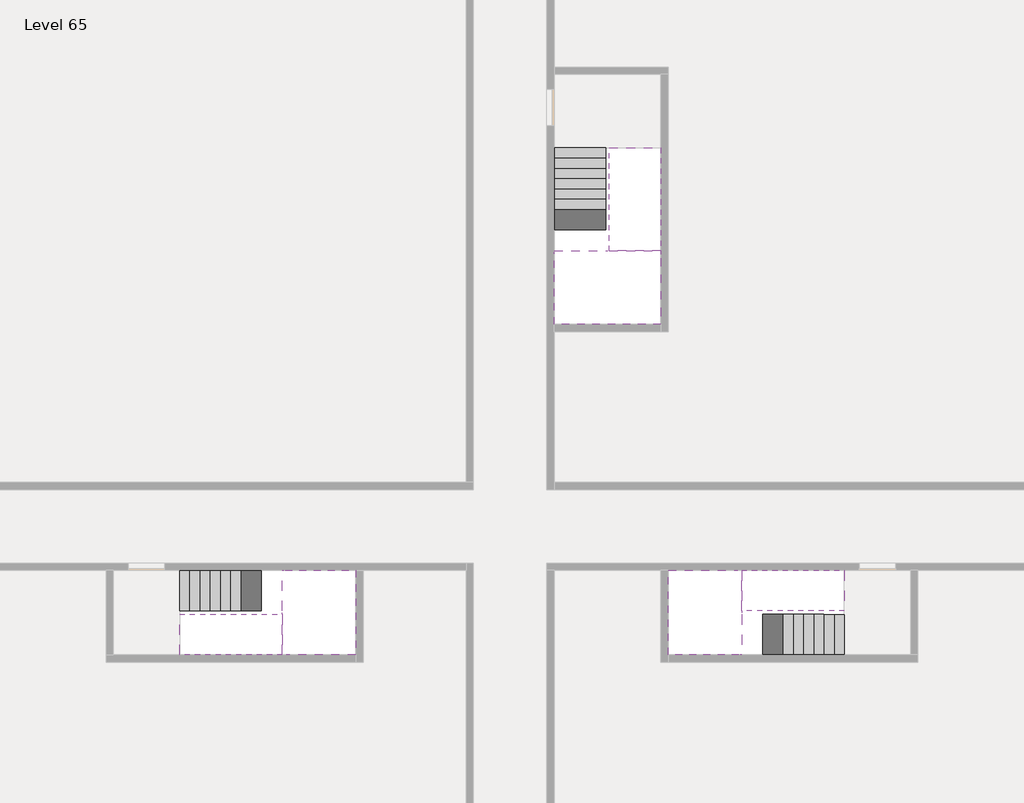
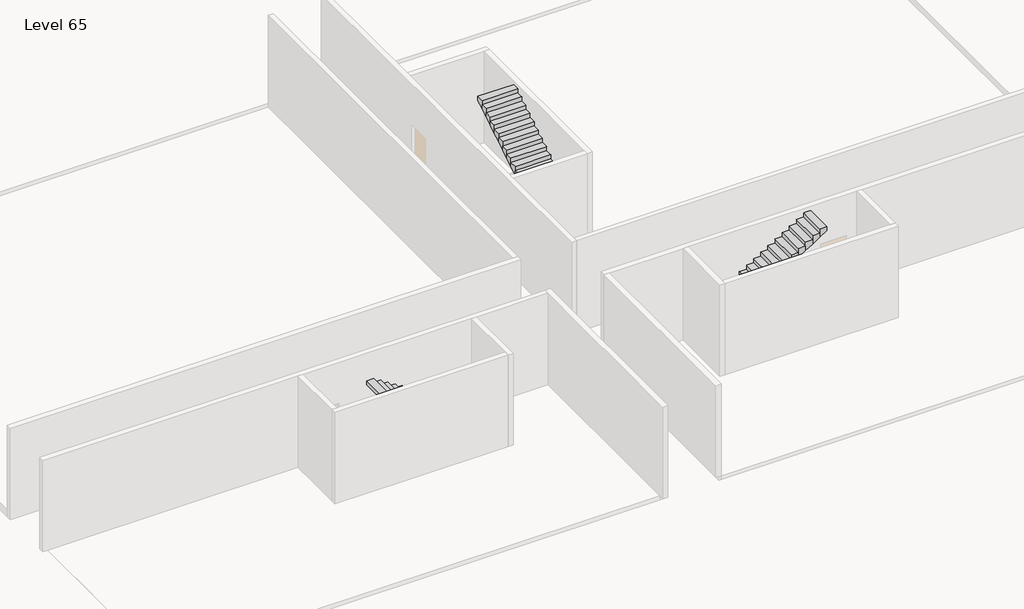
# One storey, part 2 of 2: 6 stair flights, 3 slabs.
"""IFC4 building model written with IfcOpenShell, lengths in millimetres."""

from ifc_helpers import new_model, si_unit, origin, place, context, project, spatial, faceted_brep, element, save

model = new_model("IFC4")

# Units and contexts
model_context = context("Model", 3, world=origin())
ifc_project = project(units=[si_unit("LENGTHUNIT", "METRE", prefix="MILLI")], contexts=[model_context])

# Site, building, storey
site = spatial("IfcSite", under=ifc_project)
building = spatial("IfcBuilding", under=site)
storey = spatial("IfcBuildingStorey", under=building, Name="Level 65", Elevation=243200.0)

# Slabs
placement = place(None, origin())
element("IfcSlab", 1, at=placement, inside=storey, context=model_context, shape_type="Brep", body=[
    faceted_brep([(26790.1058784, -34218.09644, 245100.0), (25390.1058784, -34218.09644, 245100.0), (25390.1058784, -34297.4828763, 245100.0), (25390.1058784, -36218.09644, 245100.0), (28290.1058784, -36218.09644, 245100.0), (28290.1058784, -34418.7100038, 245100.0), (28290.1058784, -34218.09644, 245100.0), (26890.1058784, -34218.09644, 245100.0), (26790.1058784, -34218.09644, 244800.0), (26790.1058784, -34218.09644, 244751.0278478), (25390.1058784, -34218.09644, 244751.0278478), (25390.1058784, -34218.09644, 244927.2727273), (25390.1058784, -34297.4828763, 244800.0), (25390.1058784, -36218.09644, 244800.0), (28290.1058784, -36218.09644, 244800.0), (28290.1058784, -34418.7100038, 244800.0), (28290.1058784, -34218.09644, 244923.7551205), (26890.1058784, -34218.09644, 244923.7551205), (26890.1058784, -34218.09644, 244800.0), (26890.1058784, -34418.7100038, 244800.0), (26790.1058784, -34297.4828763, 244800.0)], [[[0, 1, 2, 3, 4, 5, 6, 7]], [[1, 0, 8, 9, 10, 11]], [[1, 11, 10, 12, 13, 3, 2]], [[4, 3, 13, 14]], [[4, 14, 15, 16, 6, 5]], [[7, 6, 16, 17]], [[0, 7, 17, 18, 8]], [[18, 19, 15, 14, 13, 12, 20, 8]], [[19, 18, 17]], [[20, 12, 10, 9]], [[8, 20, 9]], [[15, 19, 17, 16]]]),
])
element("IfcSlab", 2, at=placement, inside=storey, context=model_context, shape_type="Brep", body=[
    faceted_brep([(30490.1058784, -45218.09644, 245100.0), (30490.1058784, -44118.09644, 245100.0), (30490.1058784, -44018.09644, 245100.0), (30490.1058784, -42918.09644, 245100.0), (30289.4923146, -42918.09644, 245100.0), (28490.1058784, -42918.09644, 245100.0), (28490.1058784, -45218.09644, 245100.0), (30410.7194421, -45218.09644, 245100.0), (30490.1058784, -45218.09644, 244927.2727273), (30490.1058784, -45218.09644, 244751.0278478), (30490.1058784, -44118.09644, 244751.0278478), (30490.1058784, -44118.09644, 244800.0), (30490.1058784, -44018.09644, 244800.0), (30490.1058784, -44018.09644, 244923.7551205), (30490.1058784, -42918.09644, 244923.7551205), (30289.4923146, -42918.09644, 244800.0), (28490.1058784, -42918.09644, 244800.0), (28490.1058784, -45218.09644, 244800.0), (30410.7194421, -45218.09644, 244800.0), (30289.4923146, -44018.09644, 244800.0), (30410.7194421, -44118.09644, 244800.0)], [[[0, 1, 2, 3, 4, 5, 6, 7]], [[1, 0, 8, 9, 10, 11]], [[2, 1, 11, 12, 13]], [[3, 2, 13, 14]], [[3, 14, 15, 16, 5, 4]], [[6, 5, 16, 17]], [[9, 8, 0, 7, 6, 17, 18]], [[19, 12, 11, 20, 18, 17, 16, 15]], [[12, 19, 13]], [[18, 20, 10, 9]], [[20, 11, 10]], [[19, 15, 14, 13]]]),
])
element("IfcSlab", 3, at=placement, inside=storey, context=model_context, shape_type="Brep", body=[
    faceted_brep([(17990.1058784, -42918.09644, 245100.0), (17990.1058784, -44018.09644, 245100.0), (17990.1058784, -44118.09644, 245100.0), (17990.1058784, -45218.09644, 245100.0), (18190.7194421, -45218.09644, 245100.0), (19990.1058784, -45218.09644, 245100.0), (19990.1058784, -42918.09644, 245100.0), (18069.4923146, -42918.09644, 245100.0), (17990.1058784, -42918.09644, 244927.2727273), (17990.1058784, -42918.09644, 244751.0278478), (17990.1058784, -44018.09644, 244751.0278478), (17990.1058784, -44018.09644, 244800.0), (17990.1058784, -44118.09644, 244800.0), (17990.1058784, -44118.09644, 244923.7551205), (17990.1058784, -45218.09644, 244923.7551205), (18190.7194421, -45218.09644, 244800.0), (19990.1058784, -45218.09644, 244800.0), (19990.1058784, -42918.09644, 244800.0), (18069.4923146, -42918.09644, 244800.0), (18190.7194421, -44118.09644, 244800.0), (18069.4923146, -44018.09644, 244800.0)], [[[0, 1, 2, 3, 4, 5, 6, 7]], [[1, 0, 8, 9, 10, 11]], [[2, 1, 11, 12, 13]], [[3, 2, 13, 14]], [[3, 14, 15, 16, 5, 4]], [[6, 5, 16, 17]], [[9, 8, 0, 7, 6, 17, 18]], [[19, 12, 11, 20, 18, 17, 16, 15]], [[12, 19, 13]], [[18, 20, 10, 9]], [[20, 11, 10]], [[19, 15, 14, 13]]]),
])

# Stair flights
element("IfcStairFlight", 4, at=placement, inside=storey, context=model_context, shape_type="Brep", body=[
    faceted_brep([(26790.1058784, -31698.09644, 243372.7272727), (26790.1058784, -31418.09644, 243372.7272727), (25390.1058784, -31418.09644, 243372.7272727), (25390.1058784, -31698.09644, 243372.7272727), (26790.1058784, -31698.09644, 243200.0), (26790.1058784, -31418.09644, 243200.0), (25390.1058784, -31418.09644, 243200.0), (25390.1058784, -31698.09644, 243200.0), (26790.1058784, -31978.09644, 243545.4545455), (26790.1058784, -31698.09644, 243545.4545455), (25390.1058784, -31698.09644, 243545.4545455), (25390.1058784, -31978.09644, 243545.4545455), (26790.1058784, -31978.09644, 243369.209666), (26790.1058784, -31703.7986657, 243200.0), (25390.1058784, -31703.7986657, 243200.0), (25390.1058784, -31978.09644, 243369.209666), (26790.1058784, -32258.09644, 243718.1818182), (26790.1058784, -31978.09644, 243718.1818182), (25390.1058784, -31978.09644, 243718.1818182), (25390.1058784, -32258.09644, 243718.1818182), (26790.1058784, -32258.09644, 243541.9369387), (25390.1058784, -32258.09644, 243541.9369387), (26790.1058784, -32538.09644, 243890.9090909), (26790.1058784, -32258.09644, 243890.9090909), (25390.1058784, -32258.09644, 243890.9090909), (25390.1058784, -32538.09644, 243890.9090909), (26790.1058784, -32538.09644, 243714.6642114), (25390.1058784, -32538.09644, 243714.6642114), (26790.1058784, -32818.09644, 244063.6363636), (26790.1058784, -32538.09644, 244063.6363636), (25390.1058784, -32538.09644, 244063.6363636), (25390.1058784, -32818.09644, 244063.6363636), (26790.1058784, -32818.09644, 243887.3914841), (25390.1058784, -32818.09644, 243887.3914841), (26790.1058784, -33098.09644, 244236.3636364), (26790.1058784, -32818.09644, 244236.3636364), (25390.1058784, -32818.09644, 244236.3636364), (25390.1058784, -33098.09644, 244236.3636364), (26790.1058784, -33098.09644, 244060.1187569), (25390.1058784, -33098.09644, 244060.1187569), (26790.1058784, -33378.09644, 244409.0909091), (26790.1058784, -33098.09644, 244409.0909091), (25390.1058784, -33098.09644, 244409.0909091), (25390.1058784, -33378.09644, 244409.0909091), (26790.1058784, -33378.09644, 244232.8460296), (25390.1058784, -33378.09644, 244232.8460296), (26790.1058784, -33658.09644, 244581.8181818), (26790.1058784, -33378.09644, 244581.8181818), (25390.1058784, -33378.09644, 244581.8181818), (25390.1058784, -33658.09644, 244581.8181818), (26790.1058784, -33658.09644, 244405.5733023), (25390.1058784, -33658.09644, 244405.5733023), (26790.1058784, -33938.09644, 244754.5454545), (26790.1058784, -33658.09644, 244754.5454545), (25390.1058784, -33658.09644, 244754.5454545), (25390.1058784, -33938.09644, 244754.5454545), (26790.1058784, -33938.09644, 244578.3005751), (25390.1058784, -33938.09644, 244578.3005751), (26790.1058784, -34218.09644, 244927.2727273), (26790.1058784, -33938.09644, 244927.2727273), (25390.1058784, -33938.09644, 244927.2727273), (25390.1058784, -34218.09644, 244927.2727273), (26790.1058784, -34218.09644, 244800.0), (26790.1058784, -34218.09644, 244751.0278478), (25390.1058784, -34218.09644, 244751.0278478)], [[[0, 1, 2, 3]], [[1, 0, 4, 5]], [[2, 1, 5, 6]], [[3, 2, 6, 7]], [[8, 9, 10, 11]], [[4, 0, 9, 8, 12, 13]], [[0, 3, 10, 9]], [[3, 7, 14, 15, 11, 10]], [[16, 17, 18, 19]], [[17, 16, 20, 12, 8]], [[8, 11, 18, 17]], [[19, 18, 11, 15, 21]], [[22, 23, 24, 25]], [[23, 22, 26, 20, 16]], [[16, 19, 24, 23]], [[25, 24, 19, 21, 27]], [[28, 29, 30, 31]], [[29, 28, 32, 26, 22]], [[22, 25, 30, 29]], [[31, 30, 25, 27, 33]], [[34, 35, 36, 37]], [[35, 34, 38, 32, 28]], [[28, 31, 36, 35]], [[37, 36, 31, 33, 39]], [[40, 41, 42, 43]], [[41, 40, 44, 38, 34]], [[34, 37, 42, 41]], [[43, 42, 37, 39, 45]], [[46, 47, 48, 49]], [[47, 46, 50, 44, 40]], [[40, 43, 48, 47]], [[49, 48, 43, 45, 51]], [[52, 53, 54, 55]], [[53, 52, 56, 50, 46]], [[46, 49, 54, 53]], [[55, 54, 49, 51, 57]], [[58, 59, 60, 61]], [[59, 58, 62, 63, 56, 52]], [[52, 55, 60, 59]], [[61, 60, 55, 57, 64]], [[58, 61, 64, 63, 62]], [[5, 4, 13, 14, 7, 6]], [[14, 13, 12, 20, 26, 32, 38, 44, 50, 56, 63, 64, 57, 51, 45, 39, 33, 27, 21, 15]]]),
])
element("IfcStairFlight", 5, at=placement, inside=storey, context=model_context, shape_type="Brep", body=[
    faceted_brep([(26890.1058784, -33938.09644, 245272.7272727), (26890.1058784, -34218.09644, 245272.7272727), (28290.1058784, -34218.09644, 245272.7272727), (28290.1058784, -33938.09644, 245272.7272727), (26890.1058784, -33938.09644, 245096.4823932), (26890.1058784, -34218.09644, 244923.7551205), (28290.1058784, -34218.09644, 244923.7551205), (28290.1058784, -34218.09644, 245100.0), (28290.1058784, -33938.09644, 245096.4823932), (26890.1058784, -33658.09644, 245445.4545455), (26890.1058784, -33938.09644, 245445.4545455), (28290.1058784, -33938.09644, 245445.4545455), (28290.1058784, -33658.09644, 245445.4545455), (26890.1058784, -33658.09644, 245269.209666), (28290.1058784, -33658.09644, 245269.209666), (26890.1058784, -33378.09644, 245618.1818182), (26890.1058784, -33658.09644, 245618.1818182), (28290.1058784, -33658.09644, 245618.1818182), (28290.1058784, -33378.09644, 245618.1818182), (26890.1058784, -33378.09644, 245441.9369387), (28290.1058784, -33378.09644, 245441.9369387), (26890.1058784, -33098.09644, 245790.9090909), (26890.1058784, -33378.09644, 245790.9090909), (28290.1058784, -33378.09644, 245790.9090909), (28290.1058784, -33098.09644, 245790.9090909), (26890.1058784, -33098.09644, 245614.6642114), (28290.1058784, -33098.09644, 245614.6642114), (26890.1058784, -32818.09644, 245963.6363636), (26890.1058784, -33098.09644, 245963.6363636), (28290.1058784, -33098.09644, 245963.6363636), (28290.1058784, -32818.09644, 245963.6363636), (26890.1058784, -32818.09644, 245787.3914841), (28290.1058784, -32818.09644, 245787.3914841), (26890.1058784, -32538.09644, 246136.3636364), (26890.1058784, -32818.09644, 246136.3636364), (28290.1058784, -32818.09644, 246136.3636364), (28290.1058784, -32538.09644, 246136.3636364), (26890.1058784, -32538.09644, 245960.1187569), (28290.1058784, -32538.09644, 245960.1187569), (26890.1058784, -32258.09644, 246309.0909091), (26890.1058784, -32538.09644, 246309.0909091), (28290.1058784, -32538.09644, 246309.0909091), (28290.1058784, -32258.09644, 246309.0909091), (26890.1058784, -32258.09644, 246132.8460296), (28290.1058784, -32258.09644, 246132.8460296), (26890.1058784, -31978.09644, 246481.8181818), (26890.1058784, -32258.09644, 246481.8181818), (28290.1058784, -32258.09644, 246481.8181818), (28290.1058784, -31978.09644, 246481.8181818), (26890.1058784, -31978.09644, 246305.5733023), (28290.1058784, -31978.09644, 246305.5733023), (26890.1058784, -31698.09644, 246654.5454545), (26890.1058784, -31978.09644, 246654.5454545), (28290.1058784, -31978.09644, 246654.5454545), (28290.1058784, -31698.09644, 246654.5454545), (26890.1058784, -31698.09644, 246478.3005751), (28290.1058784, -31698.09644, 246478.3005751), (26890.1058784, -31418.09644, 246827.2727273), (26890.1058784, -31698.09644, 246827.2727273), (28290.1058784, -31698.09644, 246827.2727273), (28290.1058784, -31418.09644, 246827.2727273), (26890.1058784, -31418.09644, 246651.0278478), (28290.1058784, -31418.09644, 246651.0278478)], [[[0, 1, 2, 3]], [[1, 0, 4, 5]], [[2, 1, 5, 6, 7]], [[3, 2, 7, 6, 8]], [[9, 10, 11, 12]], [[10, 9, 13, 4, 0]], [[11, 10, 0, 3]], [[12, 11, 3, 8, 14]], [[15, 16, 17, 18]], [[16, 15, 19, 13, 9]], [[17, 16, 9, 12]], [[18, 17, 12, 14, 20]], [[21, 22, 23, 24]], [[22, 21, 25, 19, 15]], [[23, 22, 15, 18]], [[24, 23, 18, 20, 26]], [[27, 28, 29, 30]], [[28, 27, 31, 25, 21]], [[29, 28, 21, 24]], [[30, 29, 24, 26, 32]], [[33, 34, 35, 36]], [[34, 33, 37, 31, 27]], [[35, 34, 27, 30]], [[36, 35, 30, 32, 38]], [[39, 40, 41, 42]], [[40, 39, 43, 37, 33]], [[41, 40, 33, 36]], [[42, 41, 36, 38, 44]], [[45, 46, 47, 48]], [[46, 45, 49, 43, 39]], [[47, 46, 39, 42]], [[48, 47, 42, 44, 50]], [[51, 52, 53, 54]], [[52, 51, 55, 49, 45]], [[53, 52, 45, 48]], [[54, 53, 48, 50, 56]], [[57, 58, 59, 60]], [[58, 57, 61, 55, 51]], [[59, 58, 51, 54]], [[60, 59, 54, 56, 62]], [[57, 60, 62, 61]], [[5, 4, 13, 19, 25, 31, 37, 43, 49, 55, 61, 62, 56, 50, 44, 38, 32, 26, 20, 14, 8, 6]]]),
])
element("IfcStairFlight", 6, at=placement, inside=storey, context=model_context, shape_type="Brep", body=[
    faceted_brep([(33010.1058784, -45218.09644, 243372.7272727), (33290.1058784, -45218.09644, 243372.7272727), (33290.1058784, -44118.09644, 243372.7272727), (33010.1058784, -44118.09644, 243372.7272727), (33010.1058784, -45218.09644, 243200.0), (33290.1058784, -45218.09644, 243200.0), (33290.1058784, -44118.09644, 243200.0), (33010.1058784, -44118.09644, 243200.0), (32730.1058784, -45218.09644, 243545.4545455), (33010.1058784, -45218.09644, 243545.4545455), (33010.1058784, -44118.09644, 243545.4545455), (32730.1058784, -44118.09644, 243545.4545455), (32730.1058784, -45218.09644, 243369.209666), (33004.4036527, -45218.09644, 243200.0), (33004.4036527, -44118.09644, 243200.0), (32730.1058784, -44118.09644, 243369.209666), (32450.1058784, -45218.09644, 243718.1818182), (32730.1058784, -45218.09644, 243718.1818182), (32730.1058784, -44118.09644, 243718.1818182), (32450.1058784, -44118.09644, 243718.1818182), (32450.1058784, -45218.09644, 243541.9369387), (32450.1058784, -44118.09644, 243541.9369387), (32170.1058784, -45218.09644, 243890.9090909), (32450.1058784, -45218.09644, 243890.9090909), (32450.1058784, -44118.09644, 243890.9090909), (32170.1058784, -44118.09644, 243890.9090909), (32170.1058784, -45218.09644, 243714.6642114), (32170.1058784, -44118.09644, 243714.6642114), (31890.1058784, -45218.09644, 244063.6363636), (32170.1058784, -45218.09644, 244063.6363636), (32170.1058784, -44118.09644, 244063.6363636), (31890.1058784, -44118.09644, 244063.6363636), (31890.1058784, -45218.09644, 243887.3914841), (31890.1058784, -44118.09644, 243887.3914841), (31610.1058784, -45218.09644, 244236.3636364), (31890.1058784, -45218.09644, 244236.3636364), (31890.1058784, -44118.09644, 244236.3636364), (31610.1058784, -44118.09644, 244236.3636364), (31610.1058784, -45218.09644, 244060.1187569), (31610.1058784, -44118.09644, 244060.1187569), (31330.1058784, -45218.09644, 244409.0909091), (31610.1058784, -45218.09644, 244409.0909091), (31610.1058784, -44118.09644, 244409.0909091), (31330.1058784, -44118.09644, 244409.0909091), (31330.1058784, -45218.09644, 244232.8460296), (31330.1058784, -44118.09644, 244232.8460296), (31050.1058784, -45218.09644, 244581.8181818), (31330.1058784, -45218.09644, 244581.8181818), (31330.1058784, -44118.09644, 244581.8181818), (31050.1058784, -44118.09644, 244581.8181818), (31050.1058784, -45218.09644, 244405.5733023), (31050.1058784, -44118.09644, 244405.5733023), (30770.1058784, -45218.09644, 244754.5454545), (31050.1058784, -45218.09644, 244754.5454545), (31050.1058784, -44118.09644, 244754.5454545), (30770.1058784, -44118.09644, 244754.5454545), (30770.1058784, -45218.09644, 244578.3005751), (30770.1058784, -44118.09644, 244578.3005751), (30490.1058784, -45218.09644, 244927.2727273), (30770.1058784, -45218.09644, 244927.2727273), (30770.1058784, -44118.09644, 244927.2727273), (30490.1058784, -44118.09644, 244927.2727273), (30490.1058784, -45218.09644, 244751.0278478), (30490.1058784, -44118.09644, 244751.0278478), (30490.1058784, -44118.09644, 244800.0)], [[[0, 1, 2, 3]], [[1, 0, 4, 5]], [[2, 1, 5, 6]], [[3, 2, 6, 7]], [[8, 9, 10, 11]], [[4, 0, 9, 8, 12, 13]], [[0, 3, 10, 9]], [[3, 7, 14, 15, 11, 10]], [[16, 17, 18, 19]], [[17, 16, 20, 12, 8]], [[8, 11, 18, 17]], [[19, 18, 11, 15, 21]], [[22, 23, 24, 25]], [[23, 22, 26, 20, 16]], [[16, 19, 24, 23]], [[25, 24, 19, 21, 27]], [[28, 29, 30, 31]], [[29, 28, 32, 26, 22]], [[22, 25, 30, 29]], [[31, 30, 25, 27, 33]], [[34, 35, 36, 37]], [[35, 34, 38, 32, 28]], [[28, 31, 36, 35]], [[37, 36, 31, 33, 39]], [[40, 41, 42, 43]], [[41, 40, 44, 38, 34]], [[34, 37, 42, 41]], [[43, 42, 37, 39, 45]], [[46, 47, 48, 49]], [[47, 46, 50, 44, 40]], [[40, 43, 48, 47]], [[49, 48, 43, 45, 51]], [[52, 53, 54, 55]], [[53, 52, 56, 50, 46]], [[46, 49, 54, 53]], [[55, 54, 49, 51, 57]], [[58, 59, 60, 61]], [[59, 58, 62, 56, 52]], [[52, 55, 60, 59]], [[61, 60, 55, 57, 63, 64]], [[58, 61, 64, 63, 62]], [[5, 4, 13, 14, 7, 6]], [[14, 13, 12, 20, 26, 32, 38, 44, 50, 56, 62, 63, 57, 51, 45, 39, 33, 27, 21, 15]]]),
])
element("IfcStairFlight", 7, at=placement, inside=storey, context=model_context, shape_type="Brep", body=[
    faceted_brep([(30770.1058784, -42918.09644, 245272.7272727), (30490.1058784, -42918.09644, 245272.7272727), (30490.1058784, -44018.09644, 245272.7272727), (30770.1058784, -44018.09644, 245272.7272727), (30770.1058784, -42918.09644, 245096.4823932), (30490.1058784, -42918.09644, 244923.7551205), (30490.1058784, -42918.09644, 245100.0), (30490.1058784, -44018.09644, 244923.7551205), (30770.1058784, -44018.09644, 245096.4823932), (31050.1058784, -42918.09644, 245445.4545455), (30770.1058784, -42918.09644, 245445.4545455), (30770.1058784, -44018.09644, 245445.4545455), (31050.1058784, -44018.09644, 245445.4545455), (31050.1058784, -42918.09644, 245269.209666), (31050.1058784, -44018.09644, 245269.209666), (31330.1058784, -42918.09644, 245618.1818182), (31050.1058784, -42918.09644, 245618.1818182), (31050.1058784, -44018.09644, 245618.1818182), (31330.1058784, -44018.09644, 245618.1818182), (31330.1058784, -42918.09644, 245441.9369387), (31330.1058784, -44018.09644, 245441.9369387), (31610.1058784, -42918.09644, 245790.9090909), (31330.1058784, -42918.09644, 245790.9090909), (31330.1058784, -44018.09644, 245790.9090909), (31610.1058784, -44018.09644, 245790.9090909), (31610.1058784, -42918.09644, 245614.6642114), (31610.1058784, -44018.09644, 245614.6642114), (31890.1058784, -42918.09644, 245963.6363636), (31610.1058784, -42918.09644, 245963.6363636), (31610.1058784, -44018.09644, 245963.6363636), (31890.1058784, -44018.09644, 245963.6363636), (31890.1058784, -42918.09644, 245787.3914841), (31890.1058784, -44018.09644, 245787.3914841), (32170.1058784, -42918.09644, 246136.3636364), (31890.1058784, -42918.09644, 246136.3636364), (31890.1058784, -44018.09644, 246136.3636364), (32170.1058784, -44018.09644, 246136.3636364), (32170.1058784, -42918.09644, 245960.1187569), (32170.1058784, -44018.09644, 245960.1187569), (32450.1058784, -42918.09644, 246309.0909091), (32170.1058784, -42918.09644, 246309.0909091), (32170.1058784, -44018.09644, 246309.0909091), (32450.1058784, -44018.09644, 246309.0909091), (32450.1058784, -42918.09644, 246132.8460296), (32450.1058784, -44018.09644, 246132.8460296), (32730.1058784, -42918.09644, 246481.8181818), (32450.1058784, -42918.09644, 246481.8181818), (32450.1058784, -44018.09644, 246481.8181818), (32730.1058784, -44018.09644, 246481.8181818), (32730.1058784, -42918.09644, 246305.5733023), (32730.1058784, -44018.09644, 246305.5733023), (33010.1058784, -42918.09644, 246654.5454545), (32730.1058784, -42918.09644, 246654.5454545), (32730.1058784, -44018.09644, 246654.5454545), (33010.1058784, -44018.09644, 246654.5454545), (33010.1058784, -42918.09644, 246478.3005751), (33010.1058784, -44018.09644, 246478.3005751), (33290.1058784, -42918.09644, 246827.2727273), (33010.1058784, -42918.09644, 246827.2727273), (33010.1058784, -44018.09644, 246827.2727273), (33290.1058784, -44018.09644, 246827.2727273), (33290.1058784, -42918.09644, 246651.0278478), (33290.1058784, -44018.09644, 246651.0278478)], [[[0, 1, 2, 3]], [[1, 0, 4, 5, 6]], [[2, 1, 6, 5, 7]], [[3, 2, 7, 8]], [[9, 10, 11, 12]], [[10, 9, 13, 4, 0]], [[11, 10, 0, 3]], [[12, 11, 3, 8, 14]], [[15, 16, 17, 18]], [[16, 15, 19, 13, 9]], [[17, 16, 9, 12]], [[18, 17, 12, 14, 20]], [[21, 22, 23, 24]], [[22, 21, 25, 19, 15]], [[23, 22, 15, 18]], [[24, 23, 18, 20, 26]], [[27, 28, 29, 30]], [[28, 27, 31, 25, 21]], [[29, 28, 21, 24]], [[30, 29, 24, 26, 32]], [[33, 34, 35, 36]], [[34, 33, 37, 31, 27]], [[35, 34, 27, 30]], [[36, 35, 30, 32, 38]], [[39, 40, 41, 42]], [[40, 39, 43, 37, 33]], [[41, 40, 33, 36]], [[42, 41, 36, 38, 44]], [[45, 46, 47, 48]], [[46, 45, 49, 43, 39]], [[47, 46, 39, 42]], [[48, 47, 42, 44, 50]], [[51, 52, 53, 54]], [[52, 51, 55, 49, 45]], [[53, 52, 45, 48]], [[54, 53, 48, 50, 56]], [[57, 58, 59, 60]], [[58, 57, 61, 55, 51]], [[59, 58, 51, 54]], [[60, 59, 54, 56, 62]], [[57, 60, 62, 61]], [[5, 4, 13, 19, 25, 31, 37, 43, 49, 55, 61, 62, 56, 50, 44, 38, 32, 26, 20, 14, 8, 7]]]),
])
element("IfcStairFlight", 8, at=placement, inside=storey, context=model_context, shape_type="Brep", body=[
    faceted_brep([(15470.1058784, -42918.09644, 243372.7272727), (15190.1058784, -42918.09644, 243372.7272727), (15190.1058784, -44018.09644, 243372.7272727), (15470.1058784, -44018.09644, 243372.7272727), (15470.1058784, -42918.09644, 243200.0), (15190.1058784, -42918.09644, 243200.0), (15190.1058784, -44018.09644, 243200.0), (15470.1058784, -44018.09644, 243200.0), (15750.1058784, -42918.09644, 243545.4545455), (15470.1058784, -42918.09644, 243545.4545455), (15470.1058784, -44018.09644, 243545.4545455), (15750.1058784, -44018.09644, 243545.4545455), (15750.1058784, -42918.09644, 243369.209666), (15475.8081041, -42918.09644, 243200.0), (15475.8081041, -44018.09644, 243200.0), (15750.1058784, -44018.09644, 243369.209666), (16030.1058784, -42918.09644, 243718.1818182), (15750.1058784, -42918.09644, 243718.1818182), (15750.1058784, -44018.09644, 243718.1818182), (16030.1058784, -44018.09644, 243718.1818182), (16030.1058784, -42918.09644, 243541.9369387), (16030.1058784, -44018.09644, 243541.9369387), (16310.1058784, -42918.09644, 243890.9090909), (16030.1058784, -42918.09644, 243890.9090909), (16030.1058784, -44018.09644, 243890.9090909), (16310.1058784, -44018.09644, 243890.9090909), (16310.1058784, -42918.09644, 243714.6642114), (16310.1058784, -44018.09644, 243714.6642114), (16590.1058784, -42918.09644, 244063.6363636), (16310.1058784, -42918.09644, 244063.6363636), (16310.1058784, -44018.09644, 244063.6363636), (16590.1058784, -44018.09644, 244063.6363636), (16590.1058784, -42918.09644, 243887.3914841), (16590.1058784, -44018.09644, 243887.3914841), (16870.1058784, -42918.09644, 244236.3636364), (16590.1058784, -42918.09644, 244236.3636364), (16590.1058784, -44018.09644, 244236.3636364), (16870.1058784, -44018.09644, 244236.3636364), (16870.1058784, -42918.09644, 244060.1187569), (16870.1058784, -44018.09644, 244060.1187569), (17150.1058784, -42918.09644, 244409.0909091), (16870.1058784, -42918.09644, 244409.0909091), (16870.1058784, -44018.09644, 244409.0909091), (17150.1058784, -44018.09644, 244409.0909091), (17150.1058784, -42918.09644, 244232.8460296), (17150.1058784, -44018.09644, 244232.8460296), (17430.1058784, -42918.09644, 244581.8181818), (17150.1058784, -42918.09644, 244581.8181818), (17150.1058784, -44018.09644, 244581.8181818), (17430.1058784, -44018.09644, 244581.8181818), (17430.1058784, -42918.09644, 244405.5733023), (17430.1058784, -44018.09644, 244405.5733023), (17710.1058784, -42918.09644, 244754.5454545), (17430.1058784, -42918.09644, 244754.5454545), (17430.1058784, -44018.09644, 244754.5454545), (17710.1058784, -44018.09644, 244754.5454545), (17710.1058784, -42918.09644, 244578.3005751), (17710.1058784, -44018.09644, 244578.3005751), (17990.1058784, -42918.09644, 244927.2727273), (17710.1058784, -42918.09644, 244927.2727273), (17710.1058784, -44018.09644, 244927.2727273), (17990.1058784, -44018.09644, 244927.2727273), (17990.1058784, -42918.09644, 244751.0278478), (17990.1058784, -44018.09644, 244751.0278478), (17990.1058784, -44018.09644, 244800.0)], [[[0, 1, 2, 3]], [[1, 0, 4, 5]], [[2, 1, 5, 6]], [[3, 2, 6, 7]], [[8, 9, 10, 11]], [[4, 0, 9, 8, 12, 13]], [[0, 3, 10, 9]], [[3, 7, 14, 15, 11, 10]], [[16, 17, 18, 19]], [[17, 16, 20, 12, 8]], [[8, 11, 18, 17]], [[19, 18, 11, 15, 21]], [[22, 23, 24, 25]], [[23, 22, 26, 20, 16]], [[16, 19, 24, 23]], [[25, 24, 19, 21, 27]], [[28, 29, 30, 31]], [[29, 28, 32, 26, 22]], [[22, 25, 30, 29]], [[31, 30, 25, 27, 33]], [[34, 35, 36, 37]], [[35, 34, 38, 32, 28]], [[28, 31, 36, 35]], [[37, 36, 31, 33, 39]], [[40, 41, 42, 43]], [[41, 40, 44, 38, 34]], [[34, 37, 42, 41]], [[43, 42, 37, 39, 45]], [[46, 47, 48, 49]], [[47, 46, 50, 44, 40]], [[40, 43, 48, 47]], [[49, 48, 43, 45, 51]], [[52, 53, 54, 55]], [[53, 52, 56, 50, 46]], [[46, 49, 54, 53]], [[55, 54, 49, 51, 57]], [[58, 59, 60, 61]], [[59, 58, 62, 56, 52]], [[52, 55, 60, 59]], [[61, 60, 55, 57, 63, 64]], [[58, 61, 64, 63, 62]], [[5, 4, 13, 14, 7, 6]], [[14, 13, 12, 20, 26, 32, 38, 44, 50, 56, 62, 63, 57, 51, 45, 39, 33, 27, 21, 15]]]),
])
element("IfcStairFlight", 9, at=placement, inside=storey, context=model_context, shape_type="Brep", body=[
    faceted_brep([(17710.1058784, -45218.09644, 245272.7272727), (17990.1058784, -45218.09644, 245272.7272727), (17990.1058784, -44118.09644, 245272.7272727), (17710.1058784, -44118.09644, 245272.7272727), (17710.1058784, -45218.09644, 245096.4823932), (17990.1058784, -45218.09644, 244923.7551205), (17990.1058784, -45218.09644, 245100.0), (17990.1058784, -44118.09644, 244923.7551205), (17710.1058784, -44118.09644, 245096.4823932), (17430.1058784, -45218.09644, 245445.4545455), (17710.1058784, -45218.09644, 245445.4545455), (17710.1058784, -44118.09644, 245445.4545455), (17430.1058784, -44118.09644, 245445.4545455), (17430.1058784, -45218.09644, 245269.209666), (17430.1058784, -44118.09644, 245269.209666), (17150.1058784, -45218.09644, 245618.1818182), (17430.1058784, -45218.09644, 245618.1818182), (17430.1058784, -44118.09644, 245618.1818182), (17150.1058784, -44118.09644, 245618.1818182), (17150.1058784, -45218.09644, 245441.9369387), (17150.1058784, -44118.09644, 245441.9369387), (16870.1058784, -45218.09644, 245790.9090909), (17150.1058784, -45218.09644, 245790.9090909), (17150.1058784, -44118.09644, 245790.9090909), (16870.1058784, -44118.09644, 245790.9090909), (16870.1058784, -45218.09644, 245614.6642114), (16870.1058784, -44118.09644, 245614.6642114), (16590.1058784, -45218.09644, 245963.6363636), (16870.1058784, -45218.09644, 245963.6363636), (16870.1058784, -44118.09644, 245963.6363636), (16590.1058784, -44118.09644, 245963.6363636), (16590.1058784, -45218.09644, 245787.3914841), (16590.1058784, -44118.09644, 245787.3914841), (16310.1058784, -45218.09644, 246136.3636364), (16590.1058784, -45218.09644, 246136.3636364), (16590.1058784, -44118.09644, 246136.3636364), (16310.1058784, -44118.09644, 246136.3636364), (16310.1058784, -45218.09644, 245960.1187569), (16310.1058784, -44118.09644, 245960.1187569), (16030.1058784, -45218.09644, 246309.0909091), (16310.1058784, -45218.09644, 246309.0909091), (16310.1058784, -44118.09644, 246309.0909091), (16030.1058784, -44118.09644, 246309.0909091), (16030.1058784, -45218.09644, 246132.8460296), (16030.1058784, -44118.09644, 246132.8460296), (15750.1058784, -45218.09644, 246481.8181818), (16030.1058784, -45218.09644, 246481.8181818), (16030.1058784, -44118.09644, 246481.8181818), (15750.1058784, -44118.09644, 246481.8181818), (15750.1058784, -45218.09644, 246305.5733023), (15750.1058784, -44118.09644, 246305.5733023), (15470.1058784, -45218.09644, 246654.5454545), (15750.1058784, -45218.09644, 246654.5454545), (15750.1058784, -44118.09644, 246654.5454545), (15470.1058784, -44118.09644, 246654.5454545), (15470.1058784, -45218.09644, 246478.3005751), (15470.1058784, -44118.09644, 246478.3005751), (15190.1058784, -45218.09644, 246827.2727273), (15470.1058784, -45218.09644, 246827.2727273), (15470.1058784, -44118.09644, 246827.2727273), (15190.1058784, -44118.09644, 246827.2727273), (15190.1058784, -45218.09644, 246651.0278478), (15190.1058784, -44118.09644, 246651.0278478)], [[[0, 1, 2, 3]], [[1, 0, 4, 5, 6]], [[2, 1, 6, 5, 7]], [[3, 2, 7, 8]], [[9, 10, 11, 12]], [[10, 9, 13, 4, 0]], [[11, 10, 0, 3]], [[12, 11, 3, 8, 14]], [[15, 16, 17, 18]], [[16, 15, 19, 13, 9]], [[17, 16, 9, 12]], [[18, 17, 12, 14, 20]], [[21, 22, 23, 24]], [[22, 21, 25, 19, 15]], [[23, 22, 15, 18]], [[24, 23, 18, 20, 26]], [[27, 28, 29, 30]], [[28, 27, 31, 25, 21]], [[29, 28, 21, 24]], [[30, 29, 24, 26, 32]], [[33, 34, 35, 36]], [[34, 33, 37, 31, 27]], [[35, 34, 27, 30]], [[36, 35, 30, 32, 38]], [[39, 40, 41, 42]], [[40, 39, 43, 37, 33]], [[41, 40, 33, 36]], [[42, 41, 36, 38, 44]], [[45, 46, 47, 48]], [[46, 45, 49, 43, 39]], [[47, 46, 39, 42]], [[48, 47, 42, 44, 50]], [[51, 52, 53, 54]], [[52, 51, 55, 49, 45]], [[53, 52, 45, 48]], [[54, 53, 48, 50, 56]], [[57, 58, 59, 60]], [[58, 57, 61, 55, 51]], [[59, 58, 51, 54]], [[60, 59, 54, 56, 62]], [[57, 60, 62, 61]], [[5, 4, 13, 19, 25, 31, 37, 43, 49, 55, 61, 62, 56, 50, 44, 38, 32, 26, 20, 14, 8, 7]]]),
])

save(model, "model.ifc")
